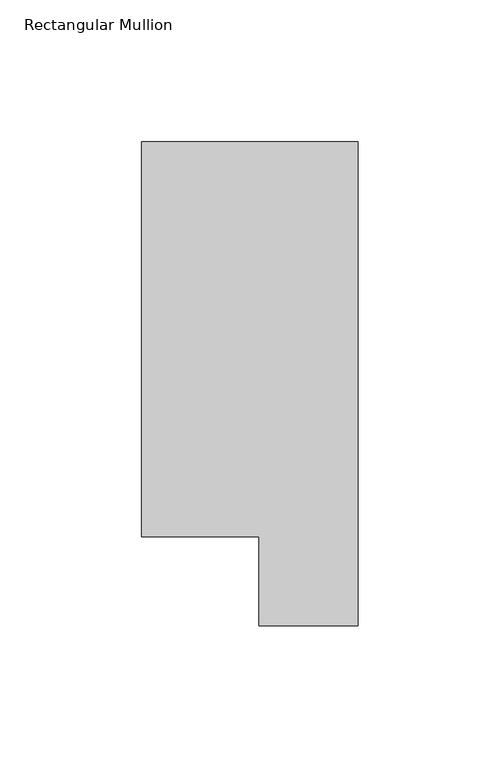
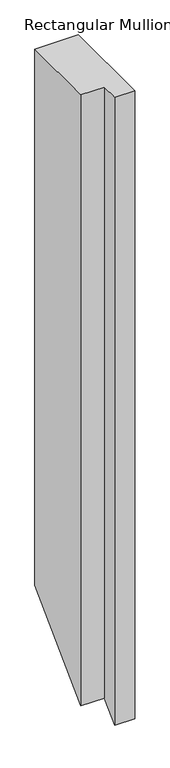
"""IFC4 building model written with IfcOpenShell, lengths in millimetres: member geometry, Rectangular Mullion."""

import ifcopenshell
import ifcopenshell.guid

model = None  # the IFC model being written
_history = None  # IfcOwnerHistory: only IFC2X3 demands one
_inside = {}  # id of a spatial element -> (the spatial element, [elements in it])
_under = {}  # id of a project, library or spatial element -> (it, [spatial elements below it])
_declared = {}  # id of a project -> (the project, [libraries it declares])
_typed = {}  # id of a type object -> (the type object, [elements of that type])
_made_of = {}  # id of a material, layer set ... -> (it, [elements and type objects made of it])


def new_model(schema):
    """Start an empty IFC model of exactly this schema.

    Asked for "IFC4X3", IfcOpenShell would pick the latest addendum, in which some entities
    have other attributes; the version numbers below select the first issue.
    IFC2X3 requires an IfcOwnerHistory on every rooted entity: one is made here for all.
    """
    global model, _history
    if schema == "IFC4X3":
        model = ifcopenshell.file(schema_version=(4, 3, 0, 0))
    else:
        model = ifcopenshell.file(schema=schema)
    _inside.clear()
    _under.clear()
    _declared.clear()
    _typed.clear()
    _made_of.clear()
    _history = None
    if model.schema == "IFC2X3":
        org = make("IfcOrganization", Name="unknown")
        user = make(
            "IfcPersonAndOrganization",
            ThePerson=make("IfcPerson", FamilyName="unknown"),
            TheOrganization=org,
        )
        app = make(
            "IfcApplication",
            ApplicationDeveloper=org,
            Version="unknown",
            ApplicationFullName="unknown",
            ApplicationIdentifier="unknown",
        )
        _history = make(
            "IfcOwnerHistory",
            OwningUser=user,
            OwningApplication=app,
            ChangeAction="ADDED",
            CreationDate=0,
        )
    return model


def make(cls, **values):
    """One entity of the class cls with the attributes given. An attribute that is None is left unset."""
    return model.create_entity(
        cls, **{name: value for name, value in values.items() if value is not None}
    )


def rooted(cls, **values):
    """An entity with a GlobalId (a new one), such as an element, a storey or a relation."""
    return make(cls, GlobalId=ifcopenshell.guid.new(), OwnerHistory=_history, **values)


def si_unit(unit_type, name, prefix=None):
    """IfcSIUnit, for example si_unit("LENGTHUNIT", "METRE", prefix="MILLI")."""
    return make("IfcSIUnit", UnitType=unit_type, Prefix=prefix, Name=name)


def assignment(units):
    """IfcUnitAssignment: the units of a project."""
    return None if units is None else make("IfcUnitAssignment", Units=units)


def point(xyz):
    """IfcCartesianPoint."""
    return None if xyz is None else make("IfcCartesianPoint", Coordinates=xyz)


def direction(xyz):
    """IfcDirection."""
    return None if xyz is None else make("IfcDirection", DirectionRatios=xyz)


def frame(location, z_axis=None, x_axis=None):
    """IfcAxis2Placement3D, a coordinate frame: its origin and axes. An axis left out is left unset."""
    return make(
        "IfcAxis2Placement3D",
        Location=point(location),
        Axis=direction(z_axis),
        RefDirection=direction(x_axis),
    )


def origin():
    """The frame at (0, 0, 0) with its axes left unset."""
    return frame((0.0, 0.0, 0.0))


def place(relative_to, where):
    """IfcLocalPlacement: puts the frame where relative to a parent placement (None: the world)."""
    return make(
        "IfcLocalPlacement", PlacementRelTo=relative_to, RelativePlacement=where
    )


def context(
    kind, dimensions, precision=None, world=None, true_north=None, identifier=None
):
    """IfcGeometricRepresentationContext, for example the 3D "Model" context."""
    return make(
        "IfcGeometricRepresentationContext",
        ContextIdentifier=identifier,
        ContextType=kind,
        CoordinateSpaceDimension=dimensions,
        Precision=precision,
        WorldCoordinateSystem=world,
        TrueNorth=true_north,
    )


def project(units=None, contexts=None):
    """IfcProject with its units and contexts."""
    return rooted(
        "IfcProject",
        Name="project",
        RepresentationContexts=contexts,
        UnitsInContext=assignment(units),
    )


def spatial(cls, under=None, at=None, **own):
    """A site, building, storey or space (cls), placed at a placement, below another one or the project."""
    s = rooted(cls, ObjectPlacement=at, **own)
    if under is not None:
        _under.setdefault(under.id(), (under, []))[1].append(s)
    return s


def faces_of(points, faces, orient=None, outer=None):
    """IfcFace entities. A face is a list of loops; a loop is a list of indices into points, from 0.

    orient and outer hold one flag for each loop. By default every Orientation is true, the
    first loop of a face is its IfcFaceOuterBound and the others are IfcFaceBound.
    """
    made = []
    for i, loops in enumerate(faces):
        bounds = []
        for j, loop in enumerate(loops):
            is_outer = j == 0 if outer is None else outer[i][j]
            bounds.append(
                make(
                    "IfcFaceOuterBound" if is_outer else "IfcFaceBound",
                    Bound=make("IfcPolyLoop", Polygon=[points[k] for k in loop]),
                    Orientation=True if orient is None else orient[i][j],
                )
            )
        made.append(make("IfcFace", Bounds=bounds))
    return made


def faceted_brep(points, faces, orient=None, outer=None, voids=None):
    """IfcFacetedBrep: a solid bounded by flat faces; with voids (closed shells), ...WithVoids."""
    shared = [point(p) for p in points]
    hull = make("IfcClosedShell", CfsFaces=faces_of(shared, faces, orient, outer))
    if voids is None:
        return make("IfcFacetedBrep", Outer=hull)
    return make(
        "IfcFacetedBrepWithVoids",
        Outer=hull,
        Voids=[
            make(cls, CfsFaces=faces_of(shared, fs, o, b)) for cls, fs, o, b in voids
        ],
    )


def shape(context_of_items, identifier, shape_type, items):
    """IfcShapeRepresentation: the items that make up one representation, for example the "Body"."""
    return make(
        "IfcShapeRepresentation",
        ContextOfItems=context_of_items,
        RepresentationIdentifier=identifier,
        RepresentationType=shape_type,
        Items=items,
    )


def source(mapping_origin, context_of_items, identifier, shape_type, items):
    """IfcRepresentationMap: a shape defined once, which mapped items show again and again."""
    return make(
        "IfcRepresentationMap",
        MappingOrigin=mapping_origin,
        MappedRepresentation=shape(context_of_items, identifier, shape_type, items),
    )


def transform(
    local_origin,
    x_axis=None,
    y_axis=None,
    z_axis=None,
    scale=None,
    scale2=None,
    scale3=None,
    uniform=True,
):
    """IfcCartesianTransformationOperator3D, or its non-uniform kind. x_axis, y_axis, z_axis: its Axis1, 2, 3."""
    if uniform:
        return make(
            "IfcCartesianTransformationOperator3D",
            Axis1=direction(x_axis),
            Axis2=direction(y_axis),
            LocalOrigin=point(local_origin),
            Scale=scale,
            Axis3=direction(z_axis),
        )
    return make(
        "IfcCartesianTransformationOperator3DnonUniform",
        Axis1=direction(x_axis),
        Axis2=direction(y_axis),
        LocalOrigin=point(local_origin),
        Scale=scale,
        Axis3=direction(z_axis),
        Scale2=scale2,
        Scale3=scale3,
    )


def mapped(mapping_source, mapping_target):
    """IfcMappedItem: shows the shape of a source again, moved by a transform."""
    return make(
        "IfcMappedItem", MappingSource=mapping_source, MappingTarget=mapping_target
    )


def made_of(thing, what):
    """Note that an element or type object is made of a material, layer set ...; save() writes the relation."""
    if what is not None:
        _made_of.setdefault(what.id(), (what, []))[1].append(thing)
    return thing


def element(
    cls,
    number,
    at=None,
    inside=None,
    cuts=None,
    type_object=None,
    material=None,
    context=None,
    identifier="Body",
    shape_type=None,
    held_by="IfcProductDefinitionShape",
    body=None,
    shapes=None,
    **own,
):
    """One element of the class cls, such as IfcWall. Its Tag is "e" and its number.

    at: its placement. inside: the storey or other place that contains it. cuts: it is an
    opening in that element (IfcRelVoidsElement). A single representation is given by context,
    identifier, shape_type and body (its items); several are given by shapes. held_by: the class
    of the entity that holds the representations. save() writes the other relations.
    """
    e = rooted(cls, Tag="e%d" % number, ObjectPlacement=at, **own)
    if body is not None:
        shapes = [shape(context, identifier, shape_type, body)]
    if shapes is not None:
        e.Representation = make(held_by, Representations=shapes)
    if inside is not None:
        _inside.setdefault(inside.id(), (inside, []))[1].append(e)
    if cuts is not None:
        rooted(
            "IfcRelVoidsElement", RelatingBuildingElement=cuts, RelatedOpeningElement=e
        )
    if type_object is not None:
        _typed.setdefault(type_object.id(), (type_object, []))[1].append(e)
    return made_of(e, material)


def aggregate(whole, parts):
    """IfcRelAggregates: a whole, such as a stair, and the parts it consists of."""
    return rooted("IfcRelAggregates", RelatingObject=whole, RelatedObjects=parts)


def save(model, path):
    """Write the relations noted so far, then the file.

    IfcRelAggregates (storeys below a building ...), IfcRelContainedInSpatialStructure (elements
    in a storey), IfcRelDefinesByType, IfcRelAssociatesMaterial and IfcRelDeclares: one each for
    every whole, place, type object, material and project.
    """
    for whole, parts in _under.values():
        aggregate(whole, parts)
    for where, things in _inside.values():
        rooted(
            "IfcRelContainedInSpatialStructure",
            RelatedElements=things,
            RelatingStructure=where,
        )
    for kind, things in _typed.values():
        rooted("IfcRelDefinesByType", RelatedObjects=things, RelatingType=kind)
    for what, things in _made_of.values():
        rooted("IfcRelAssociatesMaterial", RelatedObjects=things, RelatingMaterial=what)
    for by, libraries in _declared.values():
        rooted("IfcRelDeclares", RelatingContext=by, RelatedDefinitions=libraries)
    model.write(path)


def rectangular_mullion_ee51218a(model_context):
    return source(origin(), model_context, "Body", "Brep", [
        faceted_brep([(-76.2, 190.0007313, 0.0), (-76.2, 50.820278, 0.0), (-34.9123, 50.820278, 0.0), (-34.9123, 19.5667313, 0.0), (0.0, 19.5667313, 0.0), (0.0, 190.0007313, 0.0), (-76.2, 190.0007313, -991.4302394), (-76.2, 50.820278, -1130.6106927), (-34.9123, 50.820278, -1130.6106927), (-34.9123, 19.5667313, -1161.8642394), (0.0, 19.5667313, -1161.8642394), (0.0, 190.0007313, -991.4302394)], [[[0, 1, 2, 3, 4, 5]], [[1, 0, 6, 7]], [[2, 1, 7, 8]], [[3, 2, 8, 9]], [[4, 3, 9, 10]], [[5, 4, 10, 11]], [[0, 5, 11, 6]], [[6, 11, 10, 9, 8, 7]]]),
    ])


if __name__ == "__main__":
    model = new_model("IFC4")
    model_context = context("Model", 3, world=origin())
    ifc_project = project(units=[si_unit("LENGTHUNIT", "METRE", prefix="MILLI")], contexts=[model_context])
    site = spatial("IfcSite", under=ifc_project)
    building = spatial("IfcBuilding", under=site)
    placement = place(None, origin())
    rectangular_mullion_shape = rectangular_mullion_ee51218a(model_context)
    element("IfcMember", 1, ObjectType="Rectangular Mullion", at=placement, inside=building, context=model_context, shape_type="MappedRepresentation", body=[
        mapped(rectangular_mullion_shape, transform((0.0, 0.0, 0.0), x_axis=(1.0, 0.0, 0.0), y_axis=(0.0, 1.0, 0.0), z_axis=(0.0, 0.0, 1.0))),
    ])
    save(model, "model.ifc")
